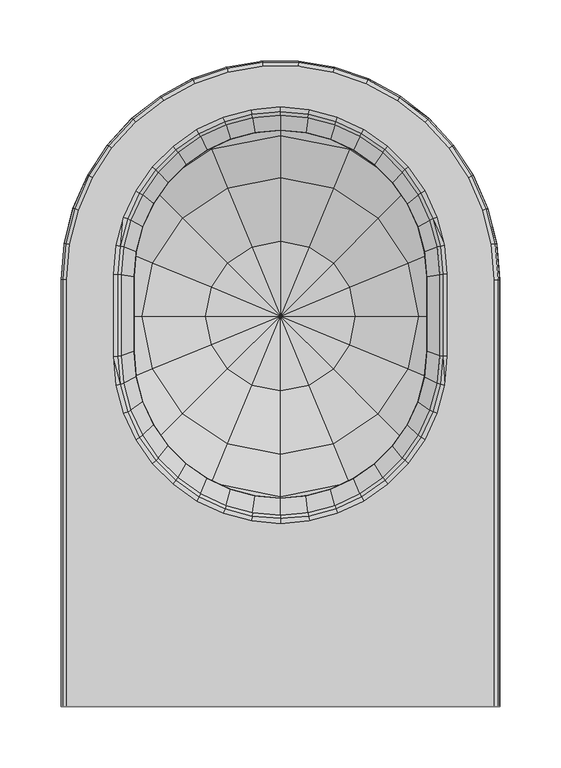
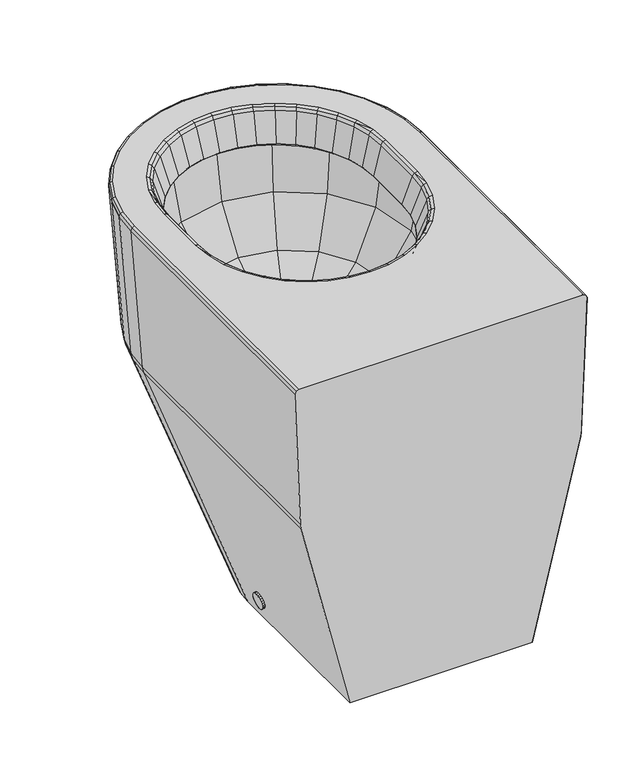
"""IFC4 building model written with IfcOpenShell, lengths in millimetres: flow terminal geometry."""

from ifc_helpers import new_model, si_unit, origin, place, context, project, spatial, triangles, source, transform, mapped, element, save


def flow_terminal_3fba4220(model_context):
    return source(origin(), model_context, "Body", "Tessellation", [
        triangles([(62.8745017, 420.0000624, 242.1790403), (67.5354954, 443.4310632, 242.1790403), (124.1034915, 420.0000624, 230.0000417), (19.5785026, 463.2960752, 276.8630424), (10.9664919, 420.0000624, 276.8630424), (-12.4645179, 476.5690659, 328.7710296), (-23.7165201, 420.0000624, 328.7710296), (-23.7165382, 481.229074, 390.000032), (-35.8965179, 420.0000624, 390.000032), (80.8084952, 463.2960752, 242.1790403), (44.1034954, 500.0000757, 276.8630424), (19.5785026, 524.5250504, 328.7710296), (10.966501, 533.1370611, 390.000032), (100.6724876, 476.5690659, 242.1790403), (80.8084952, 524.5250504, 276.8630424), (67.5354954, 556.5690792, 328.7710296), (62.8745017, 567.8210632, 390.000032), (124.1034915, 481.229074, 242.1790403), (124.1034915, 533.1370611, 276.8630424), (124.1034915, 567.8210632, 328.7710296), (124.1034915, 580.0000436, 390.000032), (147.5354928, 476.5690659, 242.1790403), (167.3994988, 524.5250504, 276.8630424), (180.6724986, 556.5690792, 328.7710296), (185.3334968, 567.8210632, 390.000032), (167.3994988, 463.2960752, 242.1790403), (204.1035039, 500.0000757, 276.8630424), (228.6284877, 524.5250504, 328.7710296), (237.2404893, 533.1370611, 390.000032), (180.6724986, 443.4310632, 242.1790403), (228.6284877, 463.2960752, 276.8630424), (260.6724983, 476.5690659, 328.7710296), (271.9245005, 481.229074, 390.000032), (185.3334968, 420.0000624, 242.1790403), (237.2404893, 420.0000624, 276.8630424), (271.9245005, 420.0000624, 328.7710296), (284.1034809, 420.0000624, 390.000032), (180.6724986, 396.5690616, 242.1790403), (228.6284877, 376.7040837, 276.8630424), (260.6724983, 363.4310816, 328.7710296), (271.9245005, 358.7710724, 390.000032), (167.3994988, 376.7040837, 242.1790403), (204.1035039, 340.0000647, 276.8630424), (228.6284877, 315.4750698, 328.7710296), (237.2404893, 306.8630705, 390.000032), (147.5354928, 363.4310816, 242.1790403), (167.3994988, 315.4750698, 276.8630424), (180.6724986, 283.4310547, 328.7710296), (185.3334968, 272.1790707, 390.000032), (124.1034915, 358.7710724, 242.1790403), (124.1034915, 306.8630637, 276.8630424), (124.1034915, 272.1790525, 328.7710296), (124.1034915, 260.000063, 390.000032), (100.6724876, 363.4310816, 242.1790403), (80.8084952, 315.4750698, 276.8630424), (67.5354954, 283.4310547, 328.7710296), (62.8745017, 272.1790707, 390.000032), (80.8084952, 376.7040837, 242.1790403), (44.1034954, 340.0000647, 276.8630424), (19.5785026, 315.4750698, 328.7710296), (10.966501, 306.8630705, 390.000032), (67.5354954, 396.5690616, 242.1790403), (19.5785026, 376.7040837, 276.8630424), (-12.4645179, 363.4310816, 328.7710296), (-23.7165382, 358.7710724, 390.000032), (-50.9005076, 449.7930658, 430.0000251), (-12.8915086, 454.4180833, 430.0000251), (-10.8145005, 477.9900729, 430.0000251), (-12.8915086, 386.8820848, 430.0000251), (299.1035101, 100.0, 430.0000251), (299.108488, 449.7930567, 430.0000251), (296.7164828, 478.8040585, 430.0000251), (289.6214944, 506.8220612, 430.0000251), (278.0115017, 533.2910851, 430.0000251), (262.2034914, 557.4870464, 430.0000251), (242.6284871, 578.752082, 430.0000251), (219.8194869, 596.5040689, 430.0000251), (194.4005033, 610.2600789, 430.0000251), (167.0634955, 619.6450438, 430.0000251), (138.5554871, 624.4020936, 430.0000251), (109.6524945, 624.4020936, 430.0000251), (81.1434856, 619.6450075, 430.0000251), (53.8074861, 610.2600425, 430.0000251), (28.3875034, 596.5040689, 430.0000251), (5.5794933, 578.7520457, 430.0000251), (-13.995511, 557.4870464, 430.0000251), (-29.8045115, 533.2910488, 430.0000251), (-41.4145132, 506.8220612, 430.0000251), (-48.5095198, 478.8040585, 430.0000251), (-4.6345089, 501.0570606, 430.0000251), (-10.8145005, 363.3100543, 430.0000251), (5.4584887, 522.7000528, 430.0000251), (-4.6345089, 340.2430728, 430.0000251), (-50.8965289, 100.0, 430.0000251), (19.1554906, 542.2620492, 430.0000251), (5.4584978, 318.6000744, 430.0000251), (19.1554906, 299.038069, 430.0000251), (36.0414875, 559.1480461, 430.0000251), (36.0414875, 282.152072, 430.0000251), (55.603493, 572.845048, 430.0000251), (55.603493, 268.4550747, 430.0000251), (77.2464942, 582.9380547, 430.0000251), (77.2464942, 258.3620725, 430.0000251), (100.3134888, 589.1190546, 430.0000251), (100.3134888, 252.1810726, 430.0000251), (124.1034915, 250.1000586, 430.0000251), (124.1034915, 591.2000686, 430.0000251), (147.8934924, 252.1810726, 430.0000251), (147.8934924, 589.1190546, 430.0000251), (170.9604915, 258.3620725, 430.0000251), (170.9604915, 582.9380547, 430.0000251), (192.6034973, 268.4550747, 430.0000251), (192.6034973, 572.845048, 430.0000251), (212.1654937, 282.152072, 430.0000251), (212.1654937, 559.1480461, 430.0000251), (229.0514906, 299.038069, 430.0000251), (229.0514906, 542.2620492, 430.0000251), (242.7494917, 318.6000744, 430.0000251), (242.7494917, 522.7000528, 430.0000251), (252.8414901, 340.2430728, 430.0000251), (252.8414901, 501.0570606, 430.0000251), (259.02249, 363.3100543, 430.0000251), (259.02249, 477.9900729, 430.0000251), (261.0984898, 386.8820848, 430.0000251), (261.0984898, 454.4180833, 430.0000251), (-55.6975258, 449.6131077, 425.0190064), (-55.6965084, 100.0000545, 425.0040001), (-54.3605253, 100.0000545, 428.5239887), (-54.3605253, 449.8241141, 428.5280219), (-53.2445142, 479.2070771, 425.0220222), (-51.9225201, 479.2591088, 428.5260235), (-45.9555151, 507.9941009, 425.0240207), (-44.6834997, 507.830121, 428.5219903), (-34.0265194, 535.1891342, 425.0259828), (-32.8405089, 534.8190987, 428.5190108), (-17.7845329, 560.0490994, 425.0279812), (-16.7175014, 559.4900855, 428.515995), (2.3274934, 581.8981109, 425.0299796), (3.2454879, 581.1711386, 428.5139966), (25.7615009, 600.1370957, 425.031978), (26.5045061, 599.2711057, 428.5119618), (51.8785023, 614.2711349, 425.0329591), (52.424481, 613.2950862, 428.5099998), (79.9654916, 623.9131517, 425.0339765), (80.2994874, 622.8630705, 428.5089824), (109.2554972, 628.8011165, 425.0339765), (109.3684934, 627.7131015, 428.5080013), (138.9514999, 628.8011165, 425.0339765), (138.8394882, 627.7131015, 428.5080013), (168.2424888, 623.9131517, 425.0339765), (167.9074984, 622.8630705, 428.5089824), (196.3294962, 614.2711349, 425.0329591), (195.7824957, 613.2950862, 428.5099998), (222.4454894, 600.1370957, 425.031978), (221.7024933, 599.2711057, 428.5119618), (245.8794878, 581.8981109, 425.0299796), (244.9614933, 581.1711386, 428.5139966), (265.9924952, 560.0490994, 425.0279812), (264.9245008, 559.4900855, 428.515995), (282.2344998, 535.1891342, 425.0259828), (281.0475083, 534.8190987, 428.5190108), (294.1624781, 507.9941009, 425.0240207), (292.8904991, 507.830121, 428.5219903), (301.4524946, 479.2070771, 425.0220222), (300.1295013, 479.2591088, 428.5260235), (303.904507, 449.6131077, 425.0190064), (302.5685057, 449.8241141, 428.5280219), (303.9034896, 100.0000545, 425.0040001), (302.5674883, 100.0000545, 428.5239887), (-48.8165323, 100.0000545, 252.9980021), (-48.0544967, 434.7531045, 247.3480017), (-47.990529, 100.0000545, 247.0840098), (-48.8155149, 436.2321021, 252.988991), (-45.7155406, 463.1081052, 247.38599), (-46.4575012, 464.6941185, 252.9869925), (-38.7435098, 490.6931038, 247.4219979), (-39.4465192, 492.3790747, 252.9860115), (-27.3275369, 516.7530866, 247.4540091), (-27.9744996, 518.5330833, 252.9839949), (-11.7794943, 540.5770866, 247.4820052), (-12.3535327, 542.441108, 252.9829957), (7.4784872, 561.5160883, 247.5059863), (6.9884826, 563.4530885, 252.9819965), (29.9184783, 578.997107, 247.5260068), (29.5255063, 580.9941145, 252.9810154), (54.9295016, 592.5440817, 247.540995), (54.642487, 594.5870893, 252.9799981), (81.8294948, 601.786123, 247.5509871), (81.6544919, 603.8601243, 252.9799981), (109.8824939, 606.471066, 247.5560014), (109.8244987, 608.5600918, 252.979017), (138.3244896, 606.471066, 247.5560014), (138.3834976, 608.5600918, 252.979017), (166.3784901, 601.786123, 247.5509871), (166.5524893, 603.8601243, 252.9799981), (193.2774887, 592.5440817, 247.540995), (193.5644942, 594.5870893, 252.9799981), (218.289493, 578.997107, 247.5260068), (218.6815022, 580.9941145, 252.9810154), (240.7295023, 561.5160883, 247.5059863), (241.2185077, 563.4530885, 252.9819965), (259.9864937, 540.5770866, 247.4820052), (260.5615131, 542.441108, 252.9829957), (275.5355083, 516.7530866, 247.4540091), (276.1815081, 518.5330833, 252.9839949), (286.950491, 490.6931038, 247.4219979), (287.6535186, 492.3790747, 252.9860115), (293.9234847, 463.1081052, 247.38599), (294.6645005, 464.6941185, 252.9869925), (296.2624953, 434.7531045, 247.3480017), (297.0235135, 436.2321021, 252.988991), (296.1984912, 100.0000545, 247.0840098), (297.0235135, 100.0000545, 252.9980021), (236.4234879, 100.0000908, 0.0), (236.4234879, 318.4001002, 0.0), (11.7835024, 318.4001002, 0.0), (11.7835024, 100.0000908, 0.0), (13.3154855, 336.887093, 0.0), (17.8694954, 354.8700978, 0.0), (25.3215023, 371.8581063, 0.0), (35.4674855, 387.388095, 0.0), (48.0314988, 401.037112, 0.0), (62.6704899, 412.4311067, 0.0), (78.9854869, 421.2601054, 0.0), (96.530487, 427.2830935, 0.0), (114.8284873, 430.3361048, 0.0), (133.3794937, 430.3361048, 0.0), (151.6764964, 427.2830935, 0.0), (169.2224935, 421.2601054, 0.0), (185.5364959, 412.4311067, 0.0), (200.1764998, 401.037112, 0.0), (212.740504, 387.388095, 0.0), (222.8864962, 371.8581063, 0.0), (230.3374949, 354.8700978, 0.0), (234.8915047, 336.887093, 0.0), (58.8034884, 274.4501257, 425.3379913), (40.157479, 287.5121237, 425.3260008), (38.621499, 285.3511273, 428.7170002), (57.610488, 272.0541237, 428.7219781), (79.4344875, 264.8261311, 425.3470024), (78.6194982, 262.2571291, 428.7259749), (101.4244902, 258.9321322, 425.3520166), (101.0104916, 256.258113, 428.7280097), (124.1034915, 256.9471153, 425.3540151), (124.1034915, 254.2371335, 428.7289907), (146.7834902, 258.9321322, 425.3520166), (147.1964919, 256.258113, 428.7280097), (168.7724937, 264.8261311, 425.3470024), (169.5874966, 262.2571291, 428.7259749), (189.404492, 274.4501257, 425.3379913), (190.5974924, 272.0541237, 428.7219781), (208.0504923, 287.5121237, 425.3260008), (209.5864996, 285.3511273, 428.7170002), (224.1444954, 303.6131258, 425.3109944), (225.978495, 301.7431364, 428.7110049), (237.1964967, 322.265135, 425.294026), (239.2755031, 320.7321322, 428.7030112), (246.8104902, 342.8991302, 425.2740054), (249.0724978, 341.7421297, 428.6949812), (252.6964863, 364.8881193, 425.2530038), (255.0734942, 364.1351334, 428.6860065), (254.6734822, 387.5651236, 425.2320022), (257.0924934, 387.1681275, 428.6780128), (254.6685134, 453.9371261, 425.2179769), (257.0914942, 454.1881282, 428.6740159), (252.6894827, 476.6111146, 425.2300037), (255.0724949, 477.2211064, 428.6780128), (246.8014882, 498.5971272, 425.2419943), (249.0714986, 499.612127, 428.684008), (237.1854963, 519.227118, 425.2530038), (239.2744948, 520.6221091, 428.6880049), (224.133495, 537.8741084, 425.2629959), (225.978495, 539.6111027, 428.6929828), (208.039501, 553.9711273, 425.2719707), (209.5864996, 556.0031254, 428.6959986), (189.39549, 567.0291239, 425.2789833), (190.5974924, 569.2991161, 428.698978), (168.7664893, 576.6511383, 425.2839975), (169.5884959, 579.0961199, 428.7019938), (146.7794979, 582.5431115, 425.2870133), (147.1964919, 585.0951541, 428.7030112), (124.1034915, 584.5271111, 425.2879944), (124.1034915, 587.1161245, 428.7030112), (101.4275014, 582.5431115, 425.2870133), (101.0104916, 585.0951541, 428.7030112), (79.4404964, 576.6511383, 425.2839975), (78.6194982, 579.0961199, 428.7019938), (58.8114912, 567.0291239, 425.2789833), (57.610488, 569.2991161, 428.698978), (40.1674893, 553.9711273, 425.2719707), (38.621499, 556.0031254, 428.6959986), (24.0744763, 537.8741084, 425.2629959), (22.2294854, 539.6111027, 428.6929828), (11.0214758, 519.227118, 425.2530038), (8.9324864, 520.6221091, 428.6880049), (1.405493, 498.5971272, 425.2419943), (-0.8645174, 499.612127, 428.684008), (-4.4815205, 476.6111146, 425.2300037), (-6.8644964, 477.2211064, 428.6780128), (-6.4615231, 453.9371261, 425.2179769), (-8.8835319, 454.1881282, 428.6740159), (-6.46552, 387.5651236, 425.2320022), (-8.8845039, 387.1681275, 428.6780128), (-4.4885059, 364.8881193, 425.2530038), (-6.8655137, 364.1351334, 428.6860065), (1.3965001, 342.8991302, 425.2740054), (-0.8655075, 341.7421297, 428.6949812), (11.0115019, 322.265135, 425.294026), (8.9324864, 320.7321322, 428.7030112), (24.063485, 303.6131258, 425.3109944), (22.2294854, 301.7431364, 428.7110049), (248.103489, 452.1750698, 385.9999855), (244.103497, 452.0000714, 389.9999594), (248.103489, 390.8250808, 385.9999855), (244.103497, 391.0000793, 389.9999594), (246.2345079, 473.5350668, 385.9999855), (242.2804887, 472.8380527, 389.9999594), (240.6395006, 494.4160688, 385.9999855), (236.8665023, 493.0420611, 389.9999594), (231.5044931, 514.0080506, 385.9999855), (228.0264986, 512.00007, 389.9999594), (219.104496, 531.715073, 385.9999855), (216.0294929, 529.1350524, 389.9999594), (203.8195005, 547.0010767, 385.9999855), (201.2384989, 543.9250472, 389.9999594), (186.1115017, 559.4000656, 385.9999855), (184.1034938, 555.9230612, 389.9999594), (166.5194971, 568.536045, 385.9999855), (165.1464887, 564.7630558, 389.9999594), (145.6384997, 574.1310523, 385.9999855), (144.9414992, 570.1770604, 389.9999594), (124.1034915, 576.0150579, 385.9999855), (124.1034915, 572.0000596, 389.9999594), (102.5684974, 574.1310523, 385.9999855), (103.265499, 570.1770604, 389.9999594), (81.6884969, 568.536045, 385.9999855), (83.0614918, 564.7630558, 389.9999594), (62.0964969, 559.4000656, 385.9999855), (64.1034874, 555.9230612, 389.9999594), (44.3884889, 547.0010767, 385.9999855), (46.9694951, 543.9250472, 389.9999594), (29.1024852, 531.715073, 385.9999855), (32.1784784, 529.1350524, 389.9999594), (16.7035055, 514.0080506, 385.9999855), (20.1804826, 512.00007, 389.9999594), (7.5674806, 494.4160688, 385.9999855), (11.3404789, 493.0420611, 389.9999594), (1.9724824, 473.5350668, 385.9999855), (5.9264743, 472.8380527, 389.9999594), (0.1034922, 452.1750698, 385.9999855), (4.1035024, 452.0000714, 389.9999594), (0.1034922, 390.8250808, 385.9999855), (4.1035024, 391.0000793, 389.9999594), (1.9724824, 369.4650701, 385.9999855), (5.9264743, 370.162057, 389.9999594), (7.5674806, 348.5840721, 385.9999855), (11.3404789, 349.9580634, 389.9999594), (16.7035055, 328.9920705, 385.9999855), (20.1804826, 331.0000761, 389.9999594), (29.1024852, 311.285064, 385.9999855), (32.1784784, 313.8650664, 389.9999594), (44.3884889, 295.9990648, 385.9999855), (46.9694951, 299.0750671, 389.9999594), (62.0964969, 283.6000487, 385.9999855), (64.1034874, 287.0770712, 389.9999594), (81.6884969, 274.4640738, 385.9999855), (83.0614918, 278.237063, 389.9999594), (102.5684974, 268.8690574, 385.9999855), (103.265499, 272.8230539, 389.9999594), (124.1034915, 266.9850745, 385.9999855), (124.1034915, 271.0000729, 389.9999594), (145.6384997, 268.8690574, 385.9999855), (144.9414992, 272.8230539, 389.9999594), (166.5194971, 274.4640738, 385.9999855), (165.1464887, 278.237063, 389.9999594), (186.1115017, 283.6000487, 385.9999855), (184.1034938, 287.0770712, 389.9999594), (203.8195005, 295.9990648, 385.9999855), (201.2384989, 299.0750671, 389.9999594), (219.104496, 311.285064, 385.9999855), (216.0294929, 313.8650664, 389.9999594), (231.5044931, 328.9920705, 385.9999855), (228.0264986, 331.0000761, 389.9999594), (240.6395006, 348.5840721, 385.9999855), (236.8665023, 349.9580634, 389.9999594), (246.2345079, 369.4650701, 385.9999855), (242.2804887, 370.162057, 389.9999594), (6.2294628, 280.9600981, 18.7769959), (6.2964917, 278.4000936, 18.4229966), (3.3494877, 278.4000936, 17.8639964), (3.2824769, 280.9600981, 18.2179957), (6.0504766, 283.360097, 19.7199945), (3.1034726, 283.360097, 19.1609966), (5.7524752, 285.4800984, 21.2919961), (2.8054802, 285.4800984, 20.7329959), (5.3574775, 287.0800961, 23.3749972), (2.4104735, 287.0800961, 22.815997), (4.9104753, 288.0401029, 25.7329951), (1.9634895, 288.0401029, 25.1739948), (4.4334877, 288.4001009, 28.2479964), (1.4864837, 288.4001009, 27.6889962), (3.2824951, 275.8401072, 18.2179957), (3.1034726, 273.4400947, 19.1609966), (2.8054802, 271.3201069, 20.7329982), (2.4104735, 269.7200956, 22.815997), (1.9634804, 268.7601024, 25.1739948), (1.4864837, 268.4001044, 27.6889962), (1.0094689, 268.7601024, 30.2049968), (0.5624667, 269.7200956, 32.5619955), (0.167469, 271.3201069, 34.6449942), (-0.1315134, 273.4400947, 36.2169958), (-0.3095186, 275.8401072, 37.1609971), (-0.3765203, 278.4000936, 37.5139983), (-0.3095186, 280.9600981, 37.1609971), (-0.1315134, 283.360097, 36.2169958), (0.1674781, 285.4800984, 34.6449942), (0.5624667, 287.0800961, 32.5619955), (1.0094689, 288.0401029, 30.2049968), (2.5704837, 278.4000936, 38.0729963), (2.6374763, 280.9600981, 37.7189958), (2.8164716, 283.360097, 36.7759961), (3.1144639, 285.4800984, 35.2039967), (3.5094707, 287.0800961, 33.120998), (3.9564729, 288.0401029, 30.7629955), (2.6374763, 275.8401072, 37.7189958), (2.8164716, 273.4400947, 36.7759961), (3.1144639, 271.3201069, 35.2039967), (3.5094707, 269.7200956, 33.120998), (3.9564729, 268.7601024, 30.7629955), (4.4334877, 268.4001044, 28.2479964), (6.2294628, 275.8401072, 18.7769959), (6.0504766, 273.4400947, 19.7199945), (5.7524752, 271.3201069, 21.2919961), (5.3574775, 269.7200956, 23.3749972), (4.9104753, 268.7601024, 25.7329951), (241.9074828, 278.4000936, 18.4229966), (241.9744754, 280.9600981, 18.7769959), (244.9224786, 280.9600981, 18.2179957), (244.8554859, 278.4000936, 17.8639964), (242.1534888, 283.360097, 19.7199945), (245.1014829, 283.360097, 19.1609966), (242.4514812, 285.4800984, 21.2919961), (245.3994844, 285.4800984, 20.7329959), (242.8464789, 287.0800961, 23.3749972), (245.794482, 287.0800961, 22.815997), (243.2944802, 288.0401029, 25.7329951), (246.2414751, 288.0401029, 25.1739948), (243.7704777, 288.4001009, 28.2479964), (246.71849, 288.4001009, 27.6889962), (247.1954685, 288.0401029, 30.2049968), (247.6424797, 287.0800961, 32.5619955), (248.0374774, 285.4800984, 34.6449942), (248.3354698, 283.360097, 36.2169958), (248.5144741, 280.9600981, 37.1609971), (248.5814758, 278.4000936, 37.5139983), (248.5144741, 275.8401072, 37.1609971), (248.3354698, 273.4400947, 36.2169958), (248.0374774, 271.3201069, 34.6449942), (247.6424797, 269.7200956, 32.5619955), (247.1954685, 268.7601024, 30.2049968), (246.71849, 268.4001044, 27.6889962), (246.2414751, 268.7601024, 25.1739948), (245.794482, 269.7200956, 22.815997), (245.3994844, 271.3201069, 20.7329959), (245.1014829, 273.4400947, 19.1609966), (244.9224786, 275.8401072, 18.2179957), (245.56648, 280.9600981, 37.7189958), (245.63449, 278.4000936, 38.0729963), (245.3884839, 283.360097, 36.7759961), (245.0894742, 285.4800984, 35.2039967), (244.6954757, 287.0800961, 33.120998), (244.2474835, 288.0401029, 30.7629955), (245.56648, 275.8401072, 37.7189958), (245.3884839, 273.4400947, 36.7759961), (245.0894742, 271.3201069, 35.2039967), (244.6954757, 269.7200956, 33.120998), (244.2474835, 268.7601024, 30.7629955), (243.7704777, 268.4001044, 28.2479964), (241.9744754, 275.8401072, 18.7769959), (242.1534888, 273.4400947, 19.7199945), (242.4514812, 271.3201069, 21.2919961), (242.8464789, 269.7200956, 23.3749972), (243.2944802, 268.7601024, 25.7329951)], [[1, 2, 3], [4, 2, 1], [1, 5, 4], [6, 4, 5], [5, 7, 6], [8, 6, 7], [7, 9, 8], [2, 10, 3], [11, 10, 2], [2, 4, 11], [12, 11, 4], [4, 6, 12], [13, 12, 6], [6, 8, 13], [10, 14, 3], [15, 14, 10], [10, 11, 15], [16, 15, 11], [11, 12, 16], [17, 16, 12], [12, 13, 17], [14, 18, 3], [19, 18, 14], [14, 15, 19], [20, 19, 15], [15, 16, 20], [21, 20, 16], [16, 17, 21], [18, 22, 3], [23, 22, 18], [18, 19, 23], [24, 23, 19], [19, 20, 24], [25, 24, 20], [20, 21, 25], [22, 26, 3], [27, 26, 22], [22, 23, 27], [28, 27, 23], [23, 24, 28], [29, 28, 24], [24, 25, 29], [26, 30, 3], [31, 30, 26], [26, 27, 31], [32, 31, 27], [27, 28, 32], [33, 32, 28], [28, 29, 33], [30, 34, 3], [35, 34, 30], [30, 31, 35], [36, 35, 31], [31, 32, 36], [37, 36, 32], [32, 33, 37], [34, 38, 3], [39, 38, 34], [34, 35, 39], [40, 39, 35], [35, 36, 40], [41, 40, 36], [36, 37, 41], [38, 42, 3], [43, 42, 38], [38, 39, 43], [44, 43, 39], [39, 40, 44], [45, 44, 40], [40, 41, 45], [42, 46, 3], [47, 46, 42], [42, 43, 47], [48, 47, 43], [43, 44, 48], [49, 48, 44], [44, 45, 49], [46, 50, 3], [51, 50, 46], [46, 47, 51], [52, 51, 47], [47, 48, 52], [53, 52, 48], [48, 49, 53], [50, 54, 3], [55, 54, 50], [50, 51, 55], [56, 55, 51], [51, 52, 56], [57, 56, 52], [52, 53, 57], [54, 58, 3], [59, 58, 54], [54, 55, 59], [60, 59, 55], [55, 56, 60], [61, 60, 56], [56, 57, 61], [58, 62, 3], [63, 62, 58], [58, 59, 63], [64, 63, 59], [59, 60, 64], [65, 64, 60], [60, 61, 65], [62, 1, 3], [5, 1, 62], [62, 63, 5], [7, 5, 63], [63, 64, 7], [9, 7, 64], [64, 65, 9], [66, 67, 68], [69, 67, 66], [70, 71, 72], [72, 73, 74], [74, 75, 76], [76, 77, 78], [78, 79, 80], [80, 81, 82], [82, 83, 84], [84, 85, 86], [86, 87, 88], [88, 89, 66], [66, 68, 90], [91, 69, 66], [70, 72, 74], [74, 76, 78], [78, 80, 82], [82, 84, 86], [86, 88, 66], [66, 90, 92], [93, 91, 66], [86, 66, 92], [93, 66, 94], [86, 92, 95], [96, 93, 94], [82, 86, 95], [97, 96, 94], [82, 95, 98], [99, 97, 94], [82, 98, 100], [101, 99, 94], [82, 100, 102], [103, 101, 94], [82, 102, 104], [105, 103, 94], [78, 82, 104], [106, 105, 94], [78, 104, 107], [108, 106, 94], [78, 107, 109], [110, 108, 94], [78, 109, 111], [112, 110, 94], [74, 78, 111], [112, 94, 70], [74, 111, 113], [114, 112, 70], [74, 113, 115], [116, 114, 70], [74, 115, 117], [118, 116, 70], [74, 117, 119], [120, 118, 70], [74, 119, 121], [122, 120, 70], [74, 121, 123], [124, 122, 70], [70, 74, 123], [125, 124, 70], [70, 123, 125], [126, 127, 128], [128, 129, 126], [129, 128, 94], [94, 66, 129], [130, 126, 129], [129, 131, 130], [66, 131, 129], [89, 131, 66], [131, 132, 130], [133, 132, 131], [133, 131, 89], [89, 88, 133], [133, 134, 132], [135, 134, 133], [135, 133, 88], [88, 87, 135], [135, 136, 134], [137, 136, 135], [137, 135, 87], [87, 86, 137], [138, 136, 137], [137, 139, 138], [139, 137, 86], [86, 85, 139], [140, 138, 139], [139, 141, 140], [141, 139, 85], [85, 84, 141], [142, 140, 141], [141, 143, 142], [143, 141, 84], [84, 83, 143], [144, 142, 143], [143, 145, 144], [145, 143, 83], [83, 82, 145], [146, 144, 145], [145, 147, 146], [147, 145, 82], [82, 81, 147], [148, 146, 147], [147, 149, 148], [149, 147, 81], [81, 80, 149], [150, 148, 149], [149, 151, 150], [151, 149, 80], [80, 79, 151], [152, 150, 151], [151, 153, 152], [153, 151, 79], [79, 78, 153], [154, 152, 153], [153, 155, 154], [155, 153, 78], [78, 77, 155], [156, 154, 155], [155, 157, 156], [157, 155, 77], [77, 76, 157], [158, 156, 157], [157, 159, 158], [159, 157, 76], [76, 75, 159], [159, 160, 158], [161, 160, 159], [161, 159, 75], [75, 74, 161], [161, 162, 160], [163, 162, 161], [163, 161, 74], [74, 73, 163], [163, 164, 162], [165, 164, 163], [165, 163, 73], [73, 72, 165], [166, 164, 165], [165, 167, 166], [72, 167, 165], [71, 167, 72], [168, 166, 167], [167, 169, 168], [169, 167, 71], [71, 70, 169], [170, 171, 172], [173, 171, 170], [174, 171, 173], [173, 175, 174], [176, 174, 175], [175, 177, 176], [178, 176, 177], [177, 179, 178], [180, 178, 179], [179, 181, 180], [182, 180, 181], [181, 183, 182], [184, 182, 183], [183, 185, 184], [186, 184, 185], [185, 187, 186], [188, 186, 187], [187, 189, 188], [190, 188, 189], [189, 191, 190], [192, 190, 191], [191, 193, 192], [194, 192, 193], [193, 195, 194], [196, 194, 195], [195, 197, 196], [198, 196, 197], [197, 199, 198], [200, 198, 199], [199, 201, 200], [202, 200, 201], [201, 203, 202], [204, 202, 203], [203, 205, 204], [206, 204, 205], [205, 207, 206], [208, 206, 207], [207, 209, 208], [210, 208, 209], [209, 211, 210], [211, 212, 210], [213, 212, 211], [214, 215, 210], [210, 212, 214], [216, 217, 172], [172, 171, 216], [218, 216, 171], [171, 174, 218], [219, 218, 174], [174, 176, 219], [220, 219, 176], [176, 178, 220], [221, 220, 178], [178, 180, 221], [222, 221, 180], [180, 182, 222], [223, 222, 182], [182, 184, 223], [224, 223, 184], [184, 186, 224], [225, 224, 186], [186, 188, 225], [226, 225, 188], [188, 190, 226], [227, 226, 190], [190, 192, 227], [228, 227, 192], [192, 194, 228], [229, 228, 194], [194, 196, 229], [230, 229, 196], [196, 198, 230], [231, 230, 198], [198, 200, 231], [232, 231, 200], [200, 202, 232], [233, 232, 202], [202, 204, 233], [234, 233, 204], [204, 206, 234], [235, 234, 206], [206, 208, 235], [215, 235, 208], [208, 210, 215], [213, 211, 166], [166, 168, 213], [173, 170, 127], [127, 126, 173], [175, 173, 126], [126, 130, 175], [177, 175, 130], [130, 132, 177], [179, 177, 132], [132, 134, 179], [181, 179, 134], [134, 136, 181], [183, 181, 136], [136, 138, 183], [185, 183, 138], [138, 140, 185], [187, 185, 140], [140, 142, 187], [189, 187, 142], [142, 144, 189], [191, 189, 144], [144, 146, 191], [193, 191, 146], [146, 148, 193], [195, 193, 148], [148, 150, 195], [197, 195, 150], [150, 152, 197], [199, 197, 152], [152, 154, 199], [201, 199, 154], [154, 156, 201], [203, 201, 156], [156, 158, 203], [205, 203, 158], [158, 160, 205], [207, 205, 160], [160, 162, 207], [209, 207, 162], [162, 164, 209], [211, 209, 164], [164, 166, 211], [236, 237, 238], [238, 239, 236], [239, 238, 99], [99, 101, 239], [240, 236, 239], [239, 241, 240], [241, 239, 101], [101, 103, 241], [242, 240, 241], [241, 243, 242], [243, 241, 103], [103, 105, 243], [244, 242, 243], [243, 245, 244], [245, 243, 105], [105, 106, 245], [246, 244, 245], [245, 247, 246], [247, 245, 106], [106, 108, 247], [248, 246, 247], [247, 249, 248], [249, 247, 108], [108, 110, 249], [250, 248, 249], [249, 251, 250], [251, 249, 110], [110, 112, 251], [252, 250, 251], [251, 253, 252], [253, 251, 112], [112, 114, 253], [254, 252, 253], [253, 255, 254], [114, 255, 253], [116, 255, 114], [256, 254, 255], [255, 257, 256], [116, 257, 255], [118, 257, 116], [258, 256, 257], [257, 259, 258], [118, 259, 257], [120, 259, 118], [260, 258, 259], [259, 261, 260], [120, 261, 259], [122, 261, 120], [262, 260, 261], [261, 263, 262], [263, 261, 122], [122, 124, 263], [264, 262, 263], [263, 265, 264], [265, 263, 124], [124, 125, 265], [266, 264, 265], [265, 267, 266], [267, 265, 125], [125, 123, 267], [268, 266, 267], [267, 269, 268], [269, 267, 123], [123, 121, 269], [270, 268, 269], [269, 271, 270], [271, 269, 121], [121, 119, 271], [272, 270, 271], [271, 273, 272], [273, 271, 119], [119, 117, 273], [274, 272, 273], [273, 275, 274], [275, 273, 117], [117, 115, 275], [276, 274, 275], [275, 277, 276], [277, 275, 115], [115, 113, 277], [278, 276, 277], [277, 279, 278], [279, 277, 113], [113, 111, 279], [280, 278, 279], [279, 281, 280], [281, 279, 111], [111, 109, 281], [282, 280, 281], [281, 283, 282], [283, 281, 109], [109, 107, 283], [284, 282, 283], [283, 285, 284], [285, 283, 107], [107, 104, 285], [286, 284, 285], [285, 287, 286], [287, 285, 104], [104, 102, 287], [288, 286, 287], [287, 289, 288], [289, 287, 102], [102, 100, 289], [290, 288, 289], [289, 291, 290], [291, 289, 100], [100, 98, 291], [292, 290, 291], [291, 293, 292], [293, 291, 98], [98, 95, 293], [294, 292, 293], [293, 295, 294], [295, 293, 95], [95, 92, 295], [296, 294, 295], [295, 297, 296], [297, 295, 92], [92, 90, 297], [298, 296, 297], [297, 299, 298], [299, 297, 90], [90, 68, 299], [300, 298, 299], [299, 301, 300], [301, 299, 68], [68, 67, 301], [302, 300, 301], [301, 303, 302], [303, 301, 67], [67, 69, 303], [304, 302, 303], [303, 305, 304], [305, 303, 69], [69, 91, 305], [306, 304, 305], [305, 307, 306], [91, 307, 305], [93, 307, 91], [308, 306, 307], [307, 309, 308], [93, 309, 307], [96, 309, 93], [310, 308, 309], [309, 311, 310], [96, 311, 309], [97, 311, 96], [237, 310, 311], [311, 238, 237], [97, 238, 311], [99, 238, 97], [312, 313, 314], [315, 314, 313], [316, 317, 312], [313, 312, 317], [318, 319, 316], [317, 316, 319], [320, 321, 318], [319, 318, 321], [322, 323, 320], [321, 320, 323], [324, 325, 322], [323, 322, 325], [326, 327, 324], [325, 324, 327], [328, 329, 326], [327, 326, 329], [330, 331, 328], [329, 328, 331], [332, 333, 330], [331, 330, 333], [334, 335, 332], [333, 332, 335], [336, 337, 334], [335, 334, 337], [338, 339, 336], [337, 336, 339], [340, 341, 338], [339, 338, 341], [342, 343, 340], [341, 340, 343], [344, 345, 342], [343, 342, 345], [346, 347, 344], [345, 344, 347], [348, 349, 346], [347, 346, 349], [350, 351, 348], [349, 348, 351], [352, 353, 350], [351, 350, 353], [354, 355, 352], [353, 352, 355], [356, 357, 354], [355, 354, 357], [358, 359, 356], [357, 356, 359], [360, 361, 358], [359, 358, 361], [362, 363, 360], [361, 360, 363], [364, 365, 362], [363, 362, 365], [366, 367, 364], [365, 364, 367], [368, 369, 366], [367, 366, 369], [370, 371, 368], [369, 368, 371], [372, 373, 370], [371, 370, 373], [374, 375, 372], [373, 372, 375], [376, 377, 374], [375, 374, 377], [378, 379, 376], [377, 376, 379], [380, 381, 378], [379, 378, 381], [382, 383, 380], [381, 380, 383], [384, 385, 382], [383, 382, 385], [386, 387, 384], [385, 384, 387], [314, 315, 386], [387, 386, 315], [260, 387, 262], [315, 262, 387], [258, 385, 260], [387, 260, 385], [256, 383, 258], [385, 258, 383], [254, 381, 256], [383, 256, 381], [252, 379, 254], [381, 254, 379], [250, 377, 252], [379, 252, 377], [248, 375, 250], [377, 250, 375], [246, 373, 248], [375, 248, 373], [244, 371, 246], [373, 246, 371], [242, 369, 244], [371, 244, 369], [240, 367, 242], [369, 242, 367], [236, 365, 240], [367, 240, 365], [237, 363, 236], [365, 236, 363], [310, 361, 237], [363, 237, 361], [308, 359, 310], [361, 310, 359], [306, 357, 308], [359, 308, 357], [304, 355, 306], [357, 306, 355], [302, 353, 304], [355, 304, 353], [300, 351, 302], [353, 302, 351], [298, 349, 300], [351, 300, 349], [296, 347, 298], [349, 298, 347], [294, 345, 296], [347, 296, 345], [292, 343, 294], [345, 294, 343], [290, 341, 292], [343, 292, 341], [288, 339, 290], [341, 290, 339], [286, 337, 288], [339, 288, 337], [284, 335, 286], [337, 286, 335], [282, 333, 284], [335, 284, 333], [280, 331, 282], [333, 282, 331], [278, 329, 280], [331, 280, 329], [276, 327, 278], [329, 278, 327], [274, 325, 276], [327, 276, 325], [272, 323, 274], [325, 274, 323], [270, 321, 272], [323, 272, 321], [268, 319, 270], [321, 270, 319], [266, 317, 268], [319, 268, 317], [264, 313, 266], [317, 266, 313], [262, 315, 264], [313, 264, 315], [217, 214, 212], [212, 213, 168], [168, 169, 70], [70, 94, 128], [128, 127, 170], [170, 172, 217], [217, 212, 168], [168, 70, 128], [128, 170, 217], [217, 168, 128], [215, 214, 217], [217, 216, 218], [218, 219, 220], [220, 221, 222], [222, 223, 224], [224, 225, 226], [226, 227, 228], [228, 229, 230], [230, 231, 232], [232, 233, 234], [234, 235, 215], [215, 217, 218], [218, 220, 222], [222, 224, 226], [226, 228, 230], [230, 232, 234], [234, 215, 218], [218, 222, 226], [226, 230, 234], [234, 218, 226], [388, 389, 390], [390, 391, 388], [392, 388, 391], [391, 393, 392], [394, 392, 393], [393, 395, 394], [396, 394, 395], [395, 397, 396], [398, 396, 397], [397, 399, 398], [400, 398, 399], [399, 401, 400], [391, 390, 402], [402, 403, 404], [404, 405, 406], [406, 407, 408], [408, 409, 410], [410, 411, 412], [412, 413, 414], [414, 415, 416], [416, 417, 418], [418, 401, 399], [399, 397, 395], [395, 393, 391], [391, 402, 404], [404, 406, 408], [408, 410, 412], [412, 414, 416], [416, 418, 399], [399, 395, 391], [391, 404, 408], [408, 412, 416], [416, 399, 391], [391, 408, 416], [414, 413, 419], [419, 420, 414], [415, 414, 420], [420, 421, 415], [416, 415, 421], [421, 422, 416], [417, 416, 422], [422, 423, 417], [418, 417, 423], [423, 424, 418], [401, 418, 424], [424, 400, 401], [425, 419, 413], [413, 412, 425], [426, 425, 412], [412, 411, 426], [427, 426, 411], [411, 410, 427], [428, 427, 410], [410, 409, 428], [429, 428, 409], [409, 408, 429], [430, 429, 408], [408, 407, 430], [402, 390, 389], [389, 431, 402], [403, 402, 431], [431, 432, 403], [404, 403, 432], [432, 433, 404], [405, 404, 433], [433, 434, 405], [406, 405, 434], [434, 435, 406], [407, 406, 435], [435, 430, 407], [436, 437, 438], [438, 439, 436], [437, 440, 441], [441, 438, 437], [440, 442, 443], [443, 441, 440], [442, 444, 445], [445, 443, 442], [444, 446, 447], [447, 445, 444], [446, 448, 449], [449, 447, 446], [439, 438, 441], [441, 443, 445], [445, 447, 449], [449, 450, 451], [451, 452, 453], [453, 454, 455], [455, 456, 457], [457, 458, 459], [459, 460, 461], [461, 462, 463], [463, 464, 465], [465, 466, 439], [439, 441, 445], [445, 449, 451], [451, 453, 455], [455, 457, 459], [459, 461, 463], [463, 465, 439], [439, 445, 451], [451, 455, 459], [459, 463, 439], [439, 451, 459], [455, 454, 467], [467, 468, 455], [454, 453, 469], [469, 467, 454], [453, 452, 470], [470, 469, 453], [452, 451, 471], [471, 470, 452], [451, 450, 472], [472, 471, 451], [450, 449, 448], [448, 472, 450], [468, 473, 456], [456, 455, 468], [473, 474, 457], [457, 456, 473], [474, 475, 458], [458, 457, 474], [475, 476, 459], [459, 458, 475], [476, 477, 460], [460, 459, 476], [477, 478, 461], [461, 460, 477], [439, 466, 479], [479, 436, 439], [466, 465, 480], [480, 479, 466], [465, 464, 481], [481, 480, 465], [464, 463, 482], [482, 481, 464], [463, 462, 483], [483, 482, 463], [462, 461, 478], [478, 483, 462]], closed=False),
    ])


if __name__ == "__main__":
    model = new_model("IFC4")
    model_context = context("Model", 3, world=origin())
    ifc_project = project(units=[si_unit("LENGTHUNIT", "METRE", prefix="MILLI")], contexts=[model_context])
    site = spatial("IfcSite", under=ifc_project)
    building = spatial("IfcBuilding", under=site)
    placement = place(None, origin())
    flow_terminal_shape = flow_terminal_3fba4220(model_context)
    element("IfcFlowTerminal", 1, at=placement, inside=building, context=model_context, shape_type="MappedRepresentation", body=[
        mapped(flow_terminal_shape, transform((0.0, 0.0, 0.0), x_axis=(1.0, 0.0, 0.0), y_axis=(0.0, 1.0, 0.0), z_axis=(0.0, 0.0, 1.0))),
    ])
    save(model, "model.ifc")
